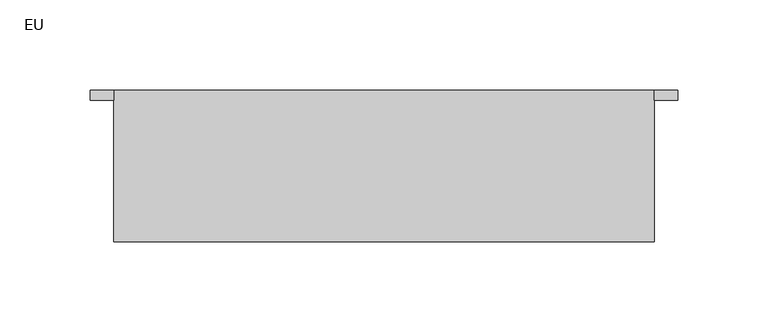
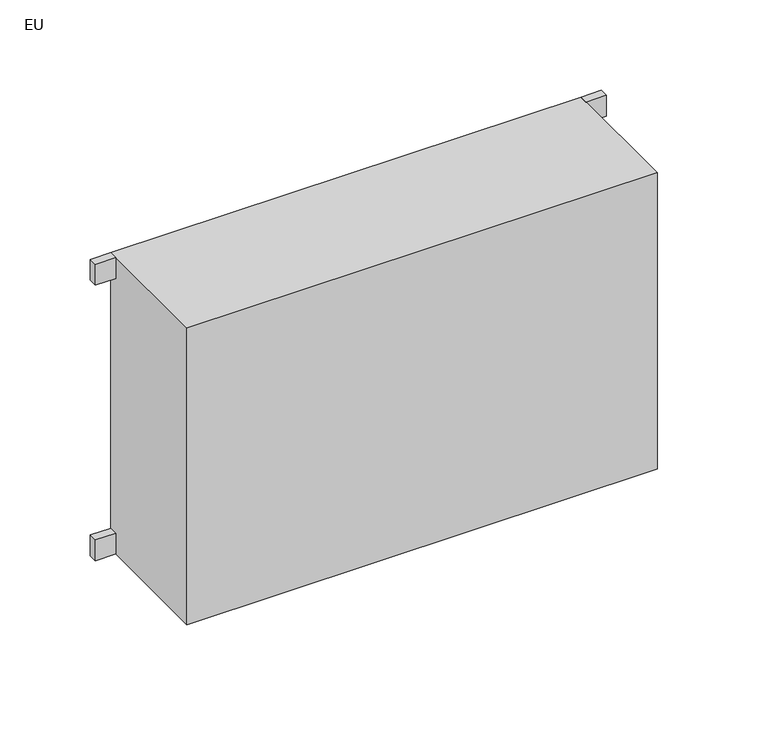
"""IFC4 building model written with IfcOpenShell, lengths in millimetres: proxy geometry, EU."""

from ifc_helpers import new_model, si_unit, frame, origin, origin_with_axes, place, context, project, spatial, polyline, circle_curve, outline, extrude, source, transform, mapped, element, save
from ifc_brep_helpers import plane_surface, cylinder_surface, advanced_brep


def eu_1e16b611(model_context):
    return source(origin(), model_context, "Body", "SolidModel", [
        extrude(outline(polyline([(150.0, -5.5), (150.0, 0.0), (163.0, 0.0), (163.0, -5.5), (150.0, -5.5)])), origin_with_axes(), (0.0, 0.0, 1.0), 14.0),
        extrude(outline(polyline([(150.0, -5.5), (150.0, 0.0), (163.0, 0.0), (163.0, -5.5), (150.0, -5.5)])), frame((0.0, 0.0, 186.0), z_axis=(0.0, 0.0, 1.0), x_axis=(1.0, 0.0, 0.0)), (0.0, 0.0, 1.0), 14.0),
        extrude(outline(polyline([(-150.0, -5.5), (-163.0, -5.5), (-163.0, 0.0), (-150.0, 0.0), (-150.0, -5.5)])), origin_with_axes(), (0.0, 0.0, 1.0), 14.0),
        extrude(outline(polyline([(-150.0, -5.5), (-163.0, -5.5), (-163.0, 0.0), (-150.0, 0.0), (-150.0, -5.5)])), frame((0.0, 0.0, 186.0), z_axis=(0.0, 0.0, 1.0), x_axis=(1.0, 0.0, 0.0)), (0.0, 0.0, 1.0), 14.0),
        advanced_brep(
        [(-103.5, -32.5, 0.0), (-88.5, -32.5, 0.0), (-96.0, -32.5, 0.0), (-96.0, -32.5, -14.0), (-88.5, -32.5, -14.0), (-103.5, -32.5, -14.0)],
        [
            (0, 1, circle_curve(frame((-96.0, -32.5, 0.0), z_axis=(0.0, 0.0, 1.0), x_axis=(1.0, 0.0, 0.0)), 7.5)),
            (1, 2),
            (2, 0),
            (1, 0, circle_curve(frame((-96.0, -32.5, 0.0), z_axis=(0.0, 0.0, 1.0), x_axis=(1.0, 0.0, 0.0)), 7.5)),
            (3, 4),
            (4, 5, circle_curve(frame((-96.0, -32.5, -14.0), z_axis=(0.0, 0.0, -1.0), x_axis=(1.0, 0.0, 0.0)), 7.5)),
            (5, 3),
            (5, 4, circle_curve(frame((-96.0, -32.5, -14.0), z_axis=(0.0, 0.0, -1.0), x_axis=(1.0, 0.0, 0.0)), 7.5)),
            (4, 1),
            (0, 5),
        ],
        [
            plane_surface(frame((-96.0, -32.5, 0.0), z_axis=(0.0, 0.0, 1.0), x_axis=(1.0, 0.0, 0.0))),
            plane_surface(frame((-96.0, -32.5, -14.0), z_axis=(0.0, 0.0, -1.0), x_axis=(1.0, 0.0, 0.0))),
            cylinder_surface(frame((-96.0, -32.5, 255.7624968), z_axis=(0.0, 0.0, -1.0), x_axis=(1.0, 0.0, 0.0)), 7.5),
        ],
        [
            (0, [[1, 2, 3]]),
            (0, [[4, -3, -2]]),
            (1, [[5, 6, 7]]),
            (1, [[-7, 8, -5]]),
            (2, [[-6, 9, -1, 10]]),
            (2, [[-8, -10, -4, -9]]),
        ],
    ),
        advanced_brep(
        [(-128.5, -32.5, 0.0), (-113.5, -32.5, 0.0), (-121.0, -32.5, 0.0), (-121.0, -32.5, -14.0), (-113.5, -32.5, -14.0), (-128.5, -32.5, -14.0)],
        [
            (0, 1, circle_curve(frame((-121.0, -32.5, 0.0), z_axis=(0.0, 0.0, 1.0), x_axis=(1.0, 0.0, 0.0)), 7.5)),
            (1, 2),
            (2, 0),
            (1, 0, circle_curve(frame((-121.0, -32.5, 0.0), z_axis=(0.0, 0.0, 1.0), x_axis=(1.0, 0.0, 0.0)), 7.5)),
            (3, 4),
            (4, 5, circle_curve(frame((-121.0, -32.5, -14.0), z_axis=(0.0, 0.0, -1.0), x_axis=(1.0, 0.0, 0.0)), 7.5)),
            (5, 3),
            (5, 4, circle_curve(frame((-121.0, -32.5, -14.0), z_axis=(0.0, 0.0, -1.0), x_axis=(1.0, 0.0, 0.0)), 7.5)),
            (4, 1),
            (0, 5),
        ],
        [
            plane_surface(frame((-121.0, -32.5, 0.0), z_axis=(0.0, 0.0, 1.0), x_axis=(1.0, 0.0, 0.0))),
            plane_surface(frame((-121.0, -32.5, -14.0), z_axis=(0.0, 0.0, -1.0), x_axis=(1.0, 0.0, 0.0))),
            cylinder_surface(frame((-121.0, -32.5, 255.7624968), z_axis=(0.0, 0.0, -1.0), x_axis=(1.0, 0.0, 0.0)), 7.5),
        ],
        [
            (0, [[1, 2, 3]]),
            (0, [[4, -3, -2]]),
            (1, [[5, 6, 7]]),
            (1, [[-7, 8, -5]]),
            (2, [[-6, 9, -1, 10]]),
            (2, [[-8, -10, -4, -9]]),
        ],
    ),
        extrude(outline(polyline([(150.0, -84.0), (-150.0, -84.0), (-150.0, 0.0), (150.0, 0.0), (150.0, -84.0)])), origin_with_axes(), (0.0, 0.0, 1.0), 200.0),
    ])


if __name__ == "__main__":
    model = new_model("IFC4")
    model_context = context("Model", 3, world=origin())
    ifc_project = project(units=[si_unit("LENGTHUNIT", "METRE", prefix="MILLI")], contexts=[model_context])
    site = spatial("IfcSite", under=ifc_project)
    building = spatial("IfcBuilding", under=site)
    placement = place(None, origin())
    eu_shape = eu_1e16b611(model_context)
    element("IfcBuildingElementProxy", 1, Name="EU", ObjectType="EU", at=placement, inside=building, context=model_context, shape_type="MappedRepresentation", body=[
        mapped(eu_shape, transform((0.0, 0.0, 0.0), x_axis=(1.0, 0.0, 0.0), y_axis=(0.0, 1.0, 0.0), z_axis=(0.0, 0.0, 1.0))),
    ])
    save(model, "model.ifc")
